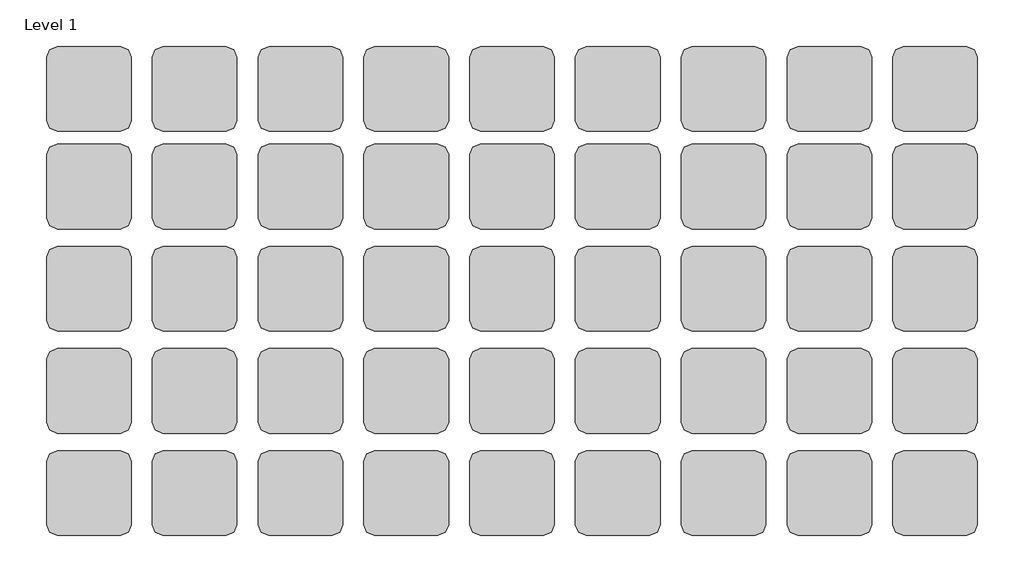
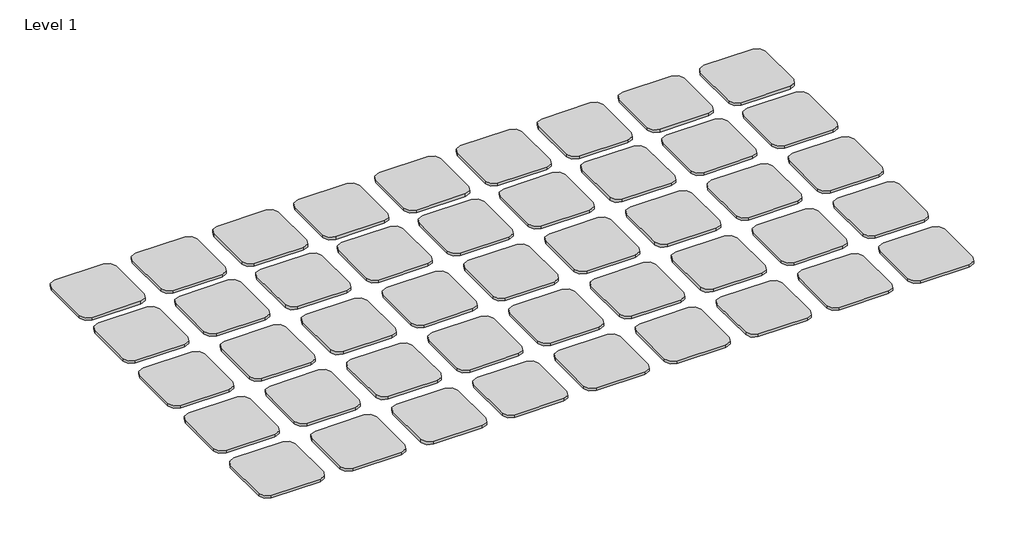
# One storey: 45 proxies.
"""IFC4 building model written with IfcOpenShell, lengths in millimetres."""

import ifcopenshell
import ifcopenshell.guid

model = None  # the IFC model being written
_history = None  # IfcOwnerHistory: only IFC2X3 demands one
_inside = {}  # id of a spatial element -> (the spatial element, [elements in it])
_under = {}  # id of a project, library or spatial element -> (it, [spatial elements below it])
_declared = {}  # id of a project -> (the project, [libraries it declares])
_typed = {}  # id of a type object -> (the type object, [elements of that type])
_made_of = {}  # id of a material, layer set ... -> (it, [elements and type objects made of it])


def new_model(schema):
    """Start an empty IFC model of exactly this schema.

    Asked for "IFC4X3", IfcOpenShell would pick the latest addendum, in which some entities
    have other attributes; the version numbers below select the first issue.
    IFC2X3 requires an IfcOwnerHistory on every rooted entity: one is made here for all.
    """
    global model, _history
    if schema == "IFC4X3":
        model = ifcopenshell.file(schema_version=(4, 3, 0, 0))
    else:
        model = ifcopenshell.file(schema=schema)
    _inside.clear()
    _under.clear()
    _declared.clear()
    _typed.clear()
    _made_of.clear()
    _history = None
    if model.schema == "IFC2X3":
        org = make("IfcOrganization", Name="unknown")
        user = make(
            "IfcPersonAndOrganization",
            ThePerson=make("IfcPerson", FamilyName="unknown"),
            TheOrganization=org,
        )
        app = make(
            "IfcApplication",
            ApplicationDeveloper=org,
            Version="unknown",
            ApplicationFullName="unknown",
            ApplicationIdentifier="unknown",
        )
        _history = make(
            "IfcOwnerHistory",
            OwningUser=user,
            OwningApplication=app,
            ChangeAction="ADDED",
            CreationDate=0,
        )
    return model


def make(cls, **values):
    """One entity of the class cls with the attributes given. An attribute that is None is left unset."""
    return model.create_entity(
        cls, **{name: value for name, value in values.items() if value is not None}
    )


def rooted(cls, **values):
    """An entity with a GlobalId (a new one), such as an element, a storey or a relation."""
    return make(cls, GlobalId=ifcopenshell.guid.new(), OwnerHistory=_history, **values)


def si_unit(unit_type, name, prefix=None):
    """IfcSIUnit, for example si_unit("LENGTHUNIT", "METRE", prefix="MILLI")."""
    return make("IfcSIUnit", UnitType=unit_type, Prefix=prefix, Name=name)


def assignment(units):
    """IfcUnitAssignment: the units of a project."""
    return None if units is None else make("IfcUnitAssignment", Units=units)


def point(xyz):
    """IfcCartesianPoint."""
    return None if xyz is None else make("IfcCartesianPoint", Coordinates=xyz)


def direction(xyz):
    """IfcDirection."""
    return None if xyz is None else make("IfcDirection", DirectionRatios=xyz)


def frame(location, z_axis=None, x_axis=None):
    """IfcAxis2Placement3D, a coordinate frame: its origin and axes. An axis left out is left unset."""
    return make(
        "IfcAxis2Placement3D",
        Location=point(location),
        Axis=direction(z_axis),
        RefDirection=direction(x_axis),
    )


def frame_2d(location, x_axis=None):
    """IfcAxis2Placement2D, a coordinate frame in the plane: its origin and x axis."""
    return make(
        "IfcAxis2Placement2D", Location=point(location), RefDirection=direction(x_axis)
    )


def origin():
    """The frame at (0, 0, 0) with its axes left unset."""
    return frame((0.0, 0.0, 0.0))


def origin_with_axes():
    """The frame at (0, 0, 0) with the z axis (0, 0, 1) and the x axis (1, 0, 0) written out."""
    return frame((0.0, 0.0, 0.0), z_axis=(0.0, 0.0, 1.0), x_axis=(1.0, 0.0, 0.0))


def place(relative_to, where):
    """IfcLocalPlacement: puts the frame where relative to a parent placement (None: the world)."""
    return make(
        "IfcLocalPlacement", PlacementRelTo=relative_to, RelativePlacement=where
    )


def context(
    kind, dimensions, precision=None, world=None, true_north=None, identifier=None
):
    """IfcGeometricRepresentationContext, for example the 3D "Model" context."""
    return make(
        "IfcGeometricRepresentationContext",
        ContextIdentifier=identifier,
        ContextType=kind,
        CoordinateSpaceDimension=dimensions,
        Precision=precision,
        WorldCoordinateSystem=world,
        TrueNorth=true_north,
    )


def project(units=None, contexts=None):
    """IfcProject with its units and contexts."""
    return rooted(
        "IfcProject",
        Name="project",
        RepresentationContexts=contexts,
        UnitsInContext=assignment(units),
    )


def spatial(cls, under=None, at=None, **own):
    """A site, building, storey or space (cls), placed at a placement, below another one or the project."""
    s = rooted(cls, ObjectPlacement=at, **own)
    if under is not None:
        _under.setdefault(under.id(), (under, []))[1].append(s)
    return s


def polyline(points):
    """IfcPolyline through the points."""
    return make("IfcPolyline", Points=[point(p) for p in points])


def circle_curve(where, radius):
    """IfcCircle in the frame where."""
    return make("IfcCircle", Position=where, Radius=radius)


def trimmed(basis, trim1, trim2, sense, master):
    """IfcTrimmedCurve: the piece of a basis curve between two trims."""
    return make(
        "IfcTrimmedCurve",
        BasisCurve=basis,
        Trim1=trim1,
        Trim2=trim2,
        SenseAgreement=sense,
        MasterRepresentation=master,
    )


def segment(curve, same_sense, transition):
    """IfcCompositeCurveSegment."""
    return make(
        "IfcCompositeCurveSegment",
        Transition=transition,
        SameSense=same_sense,
        ParentCurve=curve,
    )


def composite_curve(segments, self_intersect=None):
    """IfcCompositeCurve: segments joined end to end."""
    return make("IfcCompositeCurve", Segments=segments, SelfIntersect=self_intersect)


def outline(outer, holes=None, kind="AREA"):
    """IfcArbitraryClosedProfileDef: a profile drawn as a closed curve; with holes, ...WithVoids."""
    if holes is None:
        return make("IfcArbitraryClosedProfileDef", ProfileType=kind, OuterCurve=outer)
    return make(
        "IfcArbitraryProfileDefWithVoids",
        ProfileType=kind,
        OuterCurve=outer,
        InnerCurves=holes,
    )


def extrude(swept, where, along, depth):
    """IfcExtrudedAreaSolid: the profile swept, set in the frame where, extruded along a direction by depth."""
    return make(
        "IfcExtrudedAreaSolid",
        SweptArea=swept,
        Position=where,
        ExtrudedDirection=direction(along),
        Depth=depth,
    )


def shape(context_of_items, identifier, shape_type, items):
    """IfcShapeRepresentation: the items that make up one representation, for example the "Body"."""
    return make(
        "IfcShapeRepresentation",
        ContextOfItems=context_of_items,
        RepresentationIdentifier=identifier,
        RepresentationType=shape_type,
        Items=items,
    )


def source(mapping_origin, context_of_items, identifier, shape_type, items):
    """IfcRepresentationMap: a shape defined once, which mapped items show again and again."""
    return make(
        "IfcRepresentationMap",
        MappingOrigin=mapping_origin,
        MappedRepresentation=shape(context_of_items, identifier, shape_type, items),
    )


def transform(
    local_origin,
    x_axis=None,
    y_axis=None,
    z_axis=None,
    scale=None,
    scale2=None,
    scale3=None,
    uniform=True,
):
    """IfcCartesianTransformationOperator3D, or its non-uniform kind. x_axis, y_axis, z_axis: its Axis1, 2, 3."""
    if uniform:
        return make(
            "IfcCartesianTransformationOperator3D",
            Axis1=direction(x_axis),
            Axis2=direction(y_axis),
            LocalOrigin=point(local_origin),
            Scale=scale,
            Axis3=direction(z_axis),
        )
    return make(
        "IfcCartesianTransformationOperator3DnonUniform",
        Axis1=direction(x_axis),
        Axis2=direction(y_axis),
        LocalOrigin=point(local_origin),
        Scale=scale,
        Axis3=direction(z_axis),
        Scale2=scale2,
        Scale3=scale3,
    )


def mapped(mapping_source, mapping_target):
    """IfcMappedItem: shows the shape of a source again, moved by a transform."""
    return make(
        "IfcMappedItem", MappingSource=mapping_source, MappingTarget=mapping_target
    )


def made_of(thing, what):
    """Note that an element or type object is made of a material, layer set ...; save() writes the relation."""
    if what is not None:
        _made_of.setdefault(what.id(), (what, []))[1].append(thing)
    return thing


def element(
    cls,
    number,
    at=None,
    inside=None,
    cuts=None,
    type_object=None,
    material=None,
    context=None,
    identifier="Body",
    shape_type=None,
    held_by="IfcProductDefinitionShape",
    body=None,
    shapes=None,
    **own,
):
    """One element of the class cls, such as IfcWall. Its Tag is "e" and its number.

    at: its placement. inside: the storey or other place that contains it. cuts: it is an
    opening in that element (IfcRelVoidsElement). A single representation is given by context,
    identifier, shape_type and body (its items); several are given by shapes. held_by: the class
    of the entity that holds the representations. save() writes the other relations.
    """
    e = rooted(cls, Tag="e%d" % number, ObjectPlacement=at, **own)
    if body is not None:
        shapes = [shape(context, identifier, shape_type, body)]
    if shapes is not None:
        e.Representation = make(held_by, Representations=shapes)
    if inside is not None:
        _inside.setdefault(inside.id(), (inside, []))[1].append(e)
    if cuts is not None:
        rooted(
            "IfcRelVoidsElement", RelatingBuildingElement=cuts, RelatedOpeningElement=e
        )
    if type_object is not None:
        _typed.setdefault(type_object.id(), (type_object, []))[1].append(e)
    return made_of(e, material)


def aggregate(whole, parts):
    """IfcRelAggregates: a whole, such as a stair, and the parts it consists of."""
    return rooted("IfcRelAggregates", RelatingObject=whole, RelatedObjects=parts)


def save(model, path):
    """Write the relations noted so far, then the file.

    IfcRelAggregates (storeys below a building ...), IfcRelContainedInSpatialStructure (elements
    in a storey), IfcRelDefinesByType, IfcRelAssociatesMaterial and IfcRelDeclares: one each for
    every whole, place, type object, material and project.
    """
    for whole, parts in _under.values():
        aggregate(whole, parts)
    for where, things in _inside.values():
        rooted(
            "IfcRelContainedInSpatialStructure",
            RelatedElements=things,
            RelatingStructure=where,
        )
    for kind, things in _typed.values():
        rooted("IfcRelDefinesByType", RelatedObjects=things, RelatingType=kind)
    for what, things in _made_of.values():
        rooted("IfcRelAssociatesMaterial", RelatedObjects=things, RelatingMaterial=what)
    for by, libraries in _declared.values():
        rooted("IfcRelDeclares", RelatingContext=by, RelatedDefinitions=libraries)
    model.write(path)


def materialsample_type_1_9638d12c(model_context):
    return source(origin(), model_context, "Body", "SweptSolid", [
        extrude(outline(composite_curve([segment(polyline([(533.4, 0.0), (76.2, 0.0)]), True, "CONTINUOUS"), segment(trimmed(circle_curve(frame_2d((76.2, 76.2)), 76.2), [point((76.2, 0.0))], [point((0.0, 76.2))], False, "CARTESIAN"), True, "CONTINUOUS"), segment(polyline([(0.0, 76.2), (0.0, 533.4)]), True, "CONTINUOUS"), segment(trimmed(circle_curve(frame_2d((76.2, 533.4)), 76.2), [point((0.0, 533.4))], [point((76.2, 609.6))], False, "CARTESIAN"), True, "CONTINUOUS"), segment(polyline([(76.2, 609.6), (533.4, 609.6)]), True, "CONTINUOUS"), segment(trimmed(circle_curve(frame_2d((533.4, 533.4)), 76.2), [point((533.4, 609.6))], [point((609.6, 533.4))], False, "CARTESIAN"), True, "CONTINUOUS"), segment(polyline([(609.6, 533.4), (609.6, 76.2)]), True, "CONTINUOUS"), segment(trimmed(circle_curve(frame_2d((533.4, 76.2)), 76.2), [point((609.6, 76.2))], [point((533.4, 0.0))], False, "CARTESIAN"), True, "CONTINUOUS")], self_intersect=False)), origin_with_axes(), (0.0, 0.0, 1.0), 25.4),
    ])


model = new_model("IFC4")

# Units and contexts
model_context = context("Model", 3, world=origin())
ifc_project = project(units=[si_unit("LENGTHUNIT", "METRE", prefix="MILLI")], contexts=[model_context])

# Site, building, storey
site = spatial("IfcSite", under=ifc_project)
building = spatial("IfcBuilding", under=site)
storey = spatial("IfcBuildingStorey", under=building, Name="Level 1", Elevation=0.0)

# Proxies
placement = place(None, origin())
materialsample_type_1_shape = materialsample_type_1_9638d12c(model_context)
element("IfcBuildingElementProxy", 1, Name="MaterialSample : Type 1", ObjectType="MaterialSample : Type 1", at=placement, inside=storey, context=model_context, shape_type="MappedRepresentation", body=[
    mapped(materialsample_type_1_shape, transform((-1313.5182899, 6255.3815127, 0.0), x_axis=(1.0, 0.0, 0.0), y_axis=(0.0, 1.0, 0.0), z_axis=(0.0, 0.0, 1.0))),
])
element("IfcBuildingElementProxy", 2, Name="MaterialSample : Type 1", ObjectType="MaterialSample : Type 1", at=placement, inside=storey, context=model_context, shape_type="MappedRepresentation", body=[
    mapped(materialsample_type_1_shape, transform((-551.5182899, 6255.3815127, 0.0), x_axis=(1.0, 0.0, 0.0), y_axis=(0.0, 1.0, 0.0), z_axis=(0.0, 0.0, 1.0))),
])
element("IfcBuildingElementProxy", 3, Name="MaterialSample : Type 1", ObjectType="MaterialSample : Type 1", at=placement, inside=storey, context=model_context, shape_type="MappedRepresentation", body=[
    mapped(materialsample_type_1_shape, transform((210.4817101, 6255.3815127, 0.0), x_axis=(1.0, 0.0, 0.0), y_axis=(0.0, 1.0, 0.0), z_axis=(0.0, 0.0, 1.0))),
])
element("IfcBuildingElementProxy", 4, Name="MaterialSample : Type 1", ObjectType="MaterialSample : Type 1", at=placement, inside=storey, context=model_context, shape_type="MappedRepresentation", body=[
    mapped(materialsample_type_1_shape, transform((972.4817101, 6255.3815127, 0.0), x_axis=(1.0, 0.0, 0.0), y_axis=(0.0, 1.0, 0.0), z_axis=(0.0, 0.0, 1.0))),
])
element("IfcBuildingElementProxy", 5, Name="MaterialSample : Type 1", ObjectType="MaterialSample : Type 1", at=placement, inside=storey, context=model_context, shape_type="MappedRepresentation", body=[
    mapped(materialsample_type_1_shape, transform((1734.4817101, 6255.3815127, 0.0), x_axis=(1.0, 0.0, 0.0), y_axis=(0.0, 1.0, 0.0), z_axis=(0.0, 0.0, 1.0))),
])
element("IfcBuildingElementProxy", 6, Name="MaterialSample : Type 1", ObjectType="MaterialSample : Type 1", at=placement, inside=storey, context=model_context, shape_type="MappedRepresentation", body=[
    mapped(materialsample_type_1_shape, transform((2496.4817101, 6255.3815127, 0.0), x_axis=(1.0, 0.0, 0.0), y_axis=(0.0, 1.0, 0.0), z_axis=(0.0, 0.0, 1.0))),
])
element("IfcBuildingElementProxy", 7, Name="MaterialSample : Type 1", ObjectType="MaterialSample : Type 1", at=placement, inside=storey, context=model_context, shape_type="MappedRepresentation", body=[
    mapped(materialsample_type_1_shape, transform((3258.4817101, 6255.3815127, 0.0), x_axis=(1.0, 0.0, 0.0), y_axis=(0.0, 1.0, 0.0), z_axis=(0.0, 0.0, 1.0))),
])
element("IfcBuildingElementProxy", 8, Name="MaterialSample : Type 1", ObjectType="MaterialSample : Type 1", at=placement, inside=storey, context=model_context, shape_type="MappedRepresentation", body=[
    mapped(materialsample_type_1_shape, transform((4020.4817101, 6255.3815127, 0.0), x_axis=(1.0, 0.0, 0.0), y_axis=(0.0, 1.0, 0.0), z_axis=(0.0, 0.0, 1.0))),
])
element("IfcBuildingElementProxy", 9, Name="MaterialSample : Type 1", ObjectType="MaterialSample : Type 1", at=placement, inside=storey, context=model_context, shape_type="MappedRepresentation", body=[
    mapped(materialsample_type_1_shape, transform((-2075.5182899, 5550.5315127, 0.0), x_axis=(1.0, 0.0, 0.0), y_axis=(0.0, 1.0, 0.0), z_axis=(0.0, 0.0, 1.0))),
])
element("IfcBuildingElementProxy", 10, Name="MaterialSample : Type 1", ObjectType="MaterialSample : Type 1", at=placement, inside=storey, context=model_context, shape_type="MappedRepresentation", body=[
    mapped(materialsample_type_1_shape, transform((-1313.5182899, 5550.5315127, 0.0), x_axis=(1.0, 0.0, 0.0), y_axis=(0.0, 1.0, 0.0), z_axis=(0.0, 0.0, 1.0))),
])
element("IfcBuildingElementProxy", 11, Name="MaterialSample : Type 1", ObjectType="MaterialSample : Type 1", at=placement, inside=storey, context=model_context, shape_type="MappedRepresentation", body=[
    mapped(materialsample_type_1_shape, transform((-551.5182899, 5550.5315127, 0.0), x_axis=(1.0, 0.0, 0.0), y_axis=(0.0, 1.0, 0.0), z_axis=(0.0, 0.0, 1.0))),
])
element("IfcBuildingElementProxy", 12, Name="MaterialSample : Type 1", ObjectType="MaterialSample : Type 1", at=placement, inside=storey, context=model_context, shape_type="MappedRepresentation", body=[
    mapped(materialsample_type_1_shape, transform((210.4817101, 5550.5315127, 0.0), x_axis=(1.0, 0.0, 0.0), y_axis=(0.0, 1.0, 0.0), z_axis=(0.0, 0.0, 1.0))),
])
element("IfcBuildingElementProxy", 13, Name="MaterialSample : Type 1", ObjectType="MaterialSample : Type 1", at=placement, inside=storey, context=model_context, shape_type="MappedRepresentation", body=[
    mapped(materialsample_type_1_shape, transform((972.4817101, 5550.5315127, 0.0), x_axis=(1.0, 0.0, 0.0), y_axis=(0.0, 1.0, 0.0), z_axis=(0.0, 0.0, 1.0))),
])
element("IfcBuildingElementProxy", 14, Name="MaterialSample : Type 1", ObjectType="MaterialSample : Type 1", at=placement, inside=storey, context=model_context, shape_type="MappedRepresentation", body=[
    mapped(materialsample_type_1_shape, transform((1734.4817101, 5550.5315127, 0.0), x_axis=(1.0, 0.0, 0.0), y_axis=(0.0, 1.0, 0.0), z_axis=(0.0, 0.0, 1.0))),
])
element("IfcBuildingElementProxy", 15, Name="MaterialSample : Type 1", ObjectType="MaterialSample : Type 1", at=placement, inside=storey, context=model_context, shape_type="MappedRepresentation", body=[
    mapped(materialsample_type_1_shape, transform((2496.4817101, 5550.5315127, 0.0), x_axis=(1.0, 0.0, 0.0), y_axis=(0.0, 1.0, 0.0), z_axis=(0.0, 0.0, 1.0))),
])
element("IfcBuildingElementProxy", 16, Name="MaterialSample : Type 1", ObjectType="MaterialSample : Type 1", at=placement, inside=storey, context=model_context, shape_type="MappedRepresentation", body=[
    mapped(materialsample_type_1_shape, transform((3258.4817101, 5550.5315127, 0.0), x_axis=(1.0, 0.0, 0.0), y_axis=(0.0, 1.0, 0.0), z_axis=(0.0, 0.0, 1.0))),
])
element("IfcBuildingElementProxy", 17, Name="MaterialSample : Type 1", ObjectType="MaterialSample : Type 1", at=placement, inside=storey, context=model_context, shape_type="MappedRepresentation", body=[
    mapped(materialsample_type_1_shape, transform((4020.4817101, 5550.5315127, 0.0), x_axis=(1.0, 0.0, 0.0), y_axis=(0.0, 1.0, 0.0), z_axis=(0.0, 0.0, 1.0))),
])
element("IfcBuildingElementProxy", 18, Name="MaterialSample : Type 1", ObjectType="MaterialSample : Type 1", at=placement, inside=storey, context=model_context, shape_type="MappedRepresentation", body=[
    mapped(materialsample_type_1_shape, transform((-2075.5182899, 4813.9315127, 0.0), x_axis=(1.0, 0.0, 0.0), y_axis=(0.0, 1.0, 0.0), z_axis=(0.0, 0.0, 1.0))),
])
element("IfcBuildingElementProxy", 19, Name="MaterialSample : Type 1", ObjectType="MaterialSample : Type 1", at=placement, inside=storey, context=model_context, shape_type="MappedRepresentation", body=[
    mapped(materialsample_type_1_shape, transform((-1313.5182899, 4813.9315127, 0.0), x_axis=(1.0, 0.0, 0.0), y_axis=(0.0, 1.0, 0.0), z_axis=(0.0, 0.0, 1.0))),
])
element("IfcBuildingElementProxy", 20, Name="MaterialSample : Type 1", ObjectType="MaterialSample : Type 1", at=placement, inside=storey, context=model_context, shape_type="MappedRepresentation", body=[
    mapped(materialsample_type_1_shape, transform((-551.5182899, 4813.9315127, 0.0), x_axis=(1.0, 0.0, 0.0), y_axis=(0.0, 1.0, 0.0), z_axis=(0.0, 0.0, 1.0))),
])
element("IfcBuildingElementProxy", 21, Name="MaterialSample : Type 1", ObjectType="MaterialSample : Type 1", at=placement, inside=storey, context=model_context, shape_type="MappedRepresentation", body=[
    mapped(materialsample_type_1_shape, transform((210.4817101, 4813.9315127, 0.0), x_axis=(1.0, 0.0, 0.0), y_axis=(0.0, 1.0, 0.0), z_axis=(0.0, 0.0, 1.0))),
])
element("IfcBuildingElementProxy", 22, Name="MaterialSample : Type 1", ObjectType="MaterialSample : Type 1", at=placement, inside=storey, context=model_context, shape_type="MappedRepresentation", body=[
    mapped(materialsample_type_1_shape, transform((972.4817101, 4813.9315127, 0.0), x_axis=(1.0, 0.0, 0.0), y_axis=(0.0, 1.0, 0.0), z_axis=(0.0, 0.0, 1.0))),
])
element("IfcBuildingElementProxy", 23, Name="MaterialSample : Type 1", ObjectType="MaterialSample : Type 1", at=placement, inside=storey, context=model_context, shape_type="MappedRepresentation", body=[
    mapped(materialsample_type_1_shape, transform((1734.4817101, 4813.9315127, 0.0), x_axis=(1.0, 0.0, 0.0), y_axis=(0.0, 1.0, 0.0), z_axis=(0.0, 0.0, 1.0))),
])
element("IfcBuildingElementProxy", 24, Name="MaterialSample : Type 1", ObjectType="MaterialSample : Type 1", at=placement, inside=storey, context=model_context, shape_type="MappedRepresentation", body=[
    mapped(materialsample_type_1_shape, transform((2496.4817101, 4813.9315127, 0.0), x_axis=(1.0, 0.0, 0.0), y_axis=(0.0, 1.0, 0.0), z_axis=(0.0, 0.0, 1.0))),
])
element("IfcBuildingElementProxy", 25, Name="MaterialSample : Type 1", ObjectType="MaterialSample : Type 1", at=placement, inside=storey, context=model_context, shape_type="MappedRepresentation", body=[
    mapped(materialsample_type_1_shape, transform((3258.4817101, 4813.9315127, 0.0), x_axis=(1.0, 0.0, 0.0), y_axis=(0.0, 1.0, 0.0), z_axis=(0.0, 0.0, 1.0))),
])
element("IfcBuildingElementProxy", 26, Name="MaterialSample : Type 1", ObjectType="MaterialSample : Type 1", at=placement, inside=storey, context=model_context, shape_type="MappedRepresentation", body=[
    mapped(materialsample_type_1_shape, transform((4020.4817101, 4813.9315127, 0.0), x_axis=(1.0, 0.0, 0.0), y_axis=(0.0, 1.0, 0.0), z_axis=(0.0, 0.0, 1.0))),
])
element("IfcBuildingElementProxy", 27, Name="MaterialSample : Type 1", ObjectType="MaterialSample : Type 1", at=placement, inside=storey, context=model_context, shape_type="MappedRepresentation", body=[
    mapped(materialsample_type_1_shape, transform((-2075.5182899, 4077.3315127, 0.0), x_axis=(1.0, 0.0, 0.0), y_axis=(0.0, 1.0, 0.0), z_axis=(0.0, 0.0, 1.0))),
])
element("IfcBuildingElementProxy", 28, Name="MaterialSample : Type 1", ObjectType="MaterialSample : Type 1", at=placement, inside=storey, context=model_context, shape_type="MappedRepresentation", body=[
    mapped(materialsample_type_1_shape, transform((-1313.5182899, 4077.3315127, 0.0), x_axis=(1.0, 0.0, 0.0), y_axis=(0.0, 1.0, 0.0), z_axis=(0.0, 0.0, 1.0))),
])
element("IfcBuildingElementProxy", 29, Name="MaterialSample : Type 1", ObjectType="MaterialSample : Type 1", at=placement, inside=storey, context=model_context, shape_type="MappedRepresentation", body=[
    mapped(materialsample_type_1_shape, transform((-551.5182899, 4077.3315127, 0.0), x_axis=(1.0, 0.0, 0.0), y_axis=(0.0, 1.0, 0.0), z_axis=(0.0, 0.0, 1.0))),
])
element("IfcBuildingElementProxy", 30, Name="MaterialSample : Type 1", ObjectType="MaterialSample : Type 1", at=placement, inside=storey, context=model_context, shape_type="MappedRepresentation", body=[
    mapped(materialsample_type_1_shape, transform((210.4817101, 4077.3315127, 0.0), x_axis=(1.0, 0.0, 0.0), y_axis=(0.0, 1.0, 0.0), z_axis=(0.0, 0.0, 1.0))),
])
element("IfcBuildingElementProxy", 31, Name="MaterialSample : Type 1", ObjectType="MaterialSample : Type 1", at=placement, inside=storey, context=model_context, shape_type="MappedRepresentation", body=[
    mapped(materialsample_type_1_shape, transform((972.4817101, 4077.3315127, 0.0), x_axis=(1.0, 0.0, 0.0), y_axis=(0.0, 1.0, 0.0), z_axis=(0.0, 0.0, 1.0))),
])
element("IfcBuildingElementProxy", 32, Name="MaterialSample : Type 1", ObjectType="MaterialSample : Type 1", at=placement, inside=storey, context=model_context, shape_type="MappedRepresentation", body=[
    mapped(materialsample_type_1_shape, transform((1734.4817101, 4077.3315127, 0.0), x_axis=(1.0, 0.0, 0.0), y_axis=(0.0, 1.0, 0.0), z_axis=(0.0, 0.0, 1.0))),
])
element("IfcBuildingElementProxy", 33, Name="MaterialSample : Type 1", ObjectType="MaterialSample : Type 1", at=placement, inside=storey, context=model_context, shape_type="MappedRepresentation", body=[
    mapped(materialsample_type_1_shape, transform((2496.4817101, 4077.3315127, 0.0), x_axis=(1.0, 0.0, 0.0), y_axis=(0.0, 1.0, 0.0), z_axis=(0.0, 0.0, 1.0))),
])
element("IfcBuildingElementProxy", 34, Name="MaterialSample : Type 1", ObjectType="MaterialSample : Type 1", at=placement, inside=storey, context=model_context, shape_type="MappedRepresentation", body=[
    mapped(materialsample_type_1_shape, transform((3258.4817101, 4077.3315127, 0.0), x_axis=(1.0, 0.0, 0.0), y_axis=(0.0, 1.0, 0.0), z_axis=(0.0, 0.0, 1.0))),
])
element("IfcBuildingElementProxy", 35, Name="MaterialSample : Type 1", ObjectType="MaterialSample : Type 1", at=placement, inside=storey, context=model_context, shape_type="MappedRepresentation", body=[
    mapped(materialsample_type_1_shape, transform((4020.4817101, 4077.3315127, 0.0), x_axis=(1.0, 0.0, 0.0), y_axis=(0.0, 1.0, 0.0), z_axis=(0.0, 0.0, 1.0))),
])
element("IfcBuildingElementProxy", 36, Name="MaterialSample : Type 1", ObjectType="MaterialSample : Type 1", at=placement, inside=storey, context=model_context, shape_type="MappedRepresentation", body=[
    mapped(materialsample_type_1_shape, transform((-2075.5182899, 3340.7315127, 0.0), x_axis=(1.0, 0.0, 0.0), y_axis=(0.0, 1.0, 0.0), z_axis=(0.0, 0.0, 1.0))),
])
element("IfcBuildingElementProxy", 37, Name="MaterialSample : Type 1", ObjectType="MaterialSample : Type 1", at=placement, inside=storey, context=model_context, shape_type="MappedRepresentation", body=[
    mapped(materialsample_type_1_shape, transform((-1313.5182899, 3340.7315127, 0.0), x_axis=(1.0, 0.0, 0.0), y_axis=(0.0, 1.0, 0.0), z_axis=(0.0, 0.0, 1.0))),
])
element("IfcBuildingElementProxy", 38, Name="MaterialSample : Type 1", ObjectType="MaterialSample : Type 1", at=placement, inside=storey, context=model_context, shape_type="MappedRepresentation", body=[
    mapped(materialsample_type_1_shape, transform((-551.5182899, 3340.7315127, 0.0), x_axis=(1.0, 0.0, 0.0), y_axis=(0.0, 1.0, 0.0), z_axis=(0.0, 0.0, 1.0))),
])
element("IfcBuildingElementProxy", 39, Name="MaterialSample : Type 1", ObjectType="MaterialSample : Type 1", at=placement, inside=storey, context=model_context, shape_type="MappedRepresentation", body=[
    mapped(materialsample_type_1_shape, transform((210.4817101, 3340.7315127, 0.0), x_axis=(1.0, 0.0, 0.0), y_axis=(0.0, 1.0, 0.0), z_axis=(0.0, 0.0, 1.0))),
])
element("IfcBuildingElementProxy", 40, Name="MaterialSample : Type 1", ObjectType="MaterialSample : Type 1", at=placement, inside=storey, context=model_context, shape_type="MappedRepresentation", body=[
    mapped(materialsample_type_1_shape, transform((972.4817101, 3340.7315127, 0.0), x_axis=(1.0, 0.0, 0.0), y_axis=(0.0, 1.0, 0.0), z_axis=(0.0, 0.0, 1.0))),
])
element("IfcBuildingElementProxy", 41, Name="MaterialSample : Type 1", ObjectType="MaterialSample : Type 1", at=placement, inside=storey, context=model_context, shape_type="MappedRepresentation", body=[
    mapped(materialsample_type_1_shape, transform((1734.4817101, 3340.7315127, 0.0), x_axis=(1.0, 0.0, 0.0), y_axis=(0.0, 1.0, 0.0), z_axis=(0.0, 0.0, 1.0))),
])
element("IfcBuildingElementProxy", 42, Name="MaterialSample : Type 1", ObjectType="MaterialSample : Type 1", at=placement, inside=storey, context=model_context, shape_type="MappedRepresentation", body=[
    mapped(materialsample_type_1_shape, transform((2496.4817101, 3340.7315127, 0.0), x_axis=(1.0, 0.0, 0.0), y_axis=(0.0, 1.0, 0.0), z_axis=(0.0, 0.0, 1.0))),
])
element("IfcBuildingElementProxy", 43, Name="MaterialSample : Type 1", ObjectType="MaterialSample : Type 1", at=placement, inside=storey, context=model_context, shape_type="MappedRepresentation", body=[
    mapped(materialsample_type_1_shape, transform((3258.4817101, 3340.7315127, 0.0), x_axis=(1.0, 0.0, 0.0), y_axis=(0.0, 1.0, 0.0), z_axis=(0.0, 0.0, 1.0))),
])
element("IfcBuildingElementProxy", 44, Name="MaterialSample : Type 1", ObjectType="MaterialSample : Type 1", at=placement, inside=storey, context=model_context, shape_type="MappedRepresentation", body=[
    mapped(materialsample_type_1_shape, transform((-2075.5182899, 6255.3815127, 0.0), x_axis=(1.0, 0.0, 0.0), y_axis=(0.0, 1.0, 0.0), z_axis=(0.0, 0.0, 1.0))),
])
element("IfcBuildingElementProxy", 45, Name="MaterialSample : Type 1", ObjectType="MaterialSample : Type 1", at=placement, inside=storey, context=model_context, shape_type="MappedRepresentation", body=[
    mapped(materialsample_type_1_shape, transform((4020.4817101, 3340.7315127, 0.0), x_axis=(1.0, 0.0, 0.0), y_axis=(0.0, 1.0, 0.0), z_axis=(0.0, 0.0, 1.0))),
])

save(model, "model.ifc")
